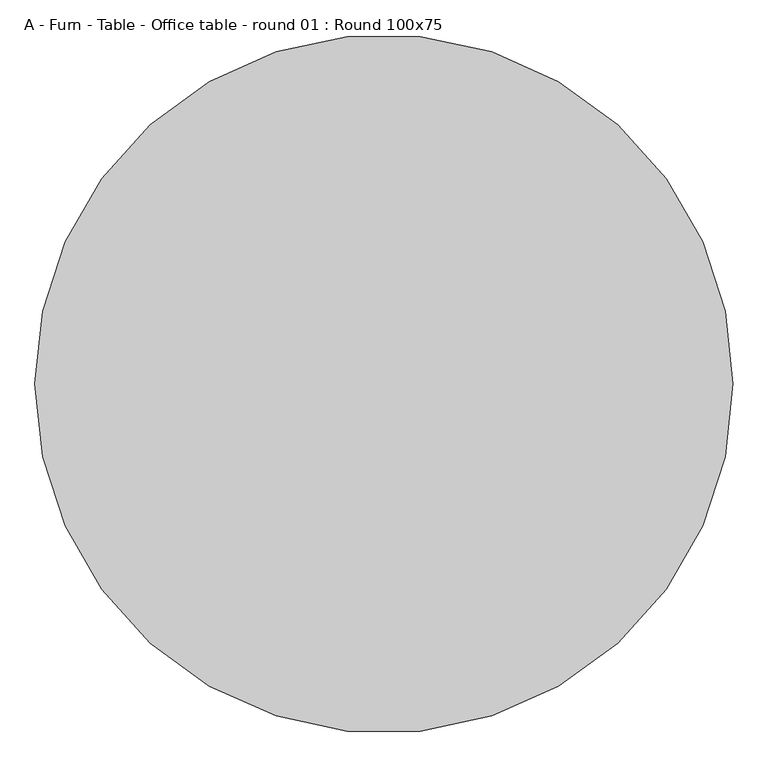
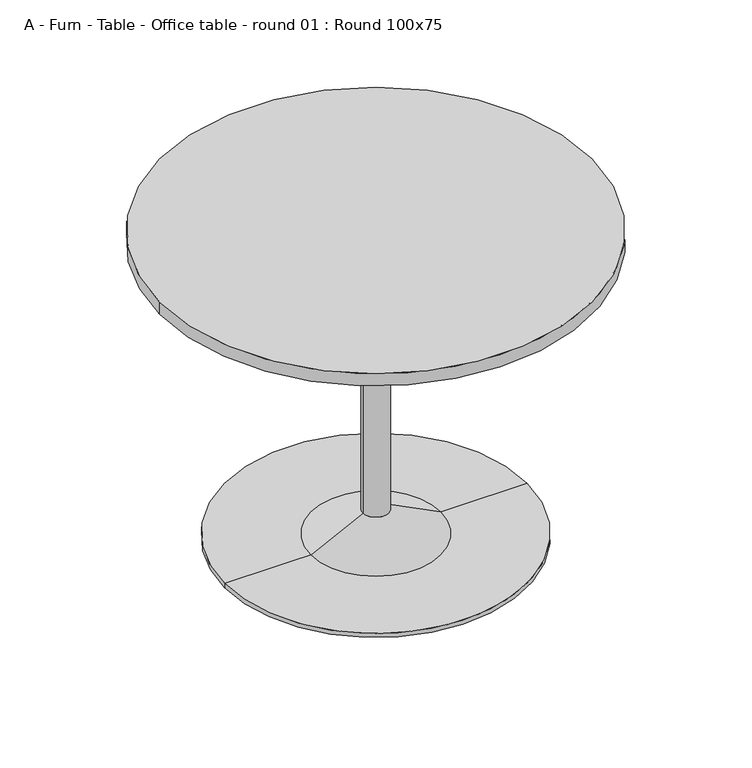
"""IFC4 building model written with IfcOpenShell, lengths in millimetres: furniture geometry, A - Furn - Table - Office table - round 01 : Round 100x75."""

from ifc_helpers import new_model, si_unit, point, frame, origin, origin_with_axes, origin_2d, place, context, project, spatial, polyline, circle_curve, trimmed, segment, composite_curve, outline, extrude, source, transform, mapped, element, save
from ifc_brep_helpers import plane_surface, cylinder_surface, revolved_surface, advanced_brep


def a_furn_table_office_table_round_01_round_100x75_6b6d9ae6(model_context):
    return source(origin(), model_context, "Body", "SolidModel", [
        advanced_brep(
        [(0.0, 0.0, 680.0), (30.0, 0.0, 680.0), (-30.0, 0.0, 680.0), (-150.0, 0.0, 10.0), (150.0, 0.0, 10.0), (0.0, 0.0, 10.0), (-30.0, 0.0, 70.0), (30.0, 0.0, 70.0)],
        [
            (0, 1),
            (1, 2, circle_curve(frame((0.0, 0.0, 680.0), z_axis=(0.0, 0.0, 1.0), x_axis=(1.0, 0.0, 0.0)), 30.0)),
            (2, 0),
            (2, 1, circle_curve(frame((0.0, 0.0, 680.0), z_axis=(0.0, 0.0, 1.0), x_axis=(1.0, 0.0, 0.0)), 30.0)),
            (3, 4, circle_curve(frame((0.0, 0.0, 10.0), z_axis=(0.0, 0.0, -1.0), x_axis=(1.0, 0.0, 0.0)), 150.0)),
            (4, 5),
            (5, 3),
            (4, 3, circle_curve(frame((0.0, 0.0, 10.0), z_axis=(0.0, 0.0, -1.0), x_axis=(1.0, 0.0, 0.0)), 150.0)),
            (6, 7, circle_curve(frame((0.0, 0.0, 70.0), z_axis=(0.0, 0.0, -1.0), x_axis=(1.0, 0.0, 0.0)), 30.0)),
            (7, 4),
            (3, 6),
            (7, 6, circle_curve(frame((0.0, 0.0, 70.0), z_axis=(0.0, 0.0, -1.0), x_axis=(1.0, 0.0, 0.0)), 30.0)),
            (1, 7),
            (6, 2),
        ],
        [
            plane_surface(frame((0.0, 0.0, 680.0), z_axis=(0.0, 0.0, 1.0), x_axis=(1.0, 0.0, 0.0))),
            plane_surface(frame((0.0, 0.0, 10.0), z_axis=(0.0, 0.0, -1.0), x_axis=(1.0, 0.0, 0.0))),
            revolved_surface(polyline([(150.0, 0.0, 10.0), (30.0, 0.0, 70.0)]), (0.0, 0.0, 892.0176105), (0.0, 0.0, 1.0)),
            cylinder_surface(frame((0.0, 0.0, 892.0176105), z_axis=(0.0, 0.0, 1.0), x_axis=(1.0, 0.0, 0.0)), 30.0),
        ],
        [
            (0, [[1, 2, 3]]),
            (0, [[-3, 4, -1]]),
            (1, [[5, 6, 7]]),
            (1, [[8, -7, -6]]),
            (2, [[9, 10, -5, 11]]),
            (2, [[12, -11, -8, -10]]),
            (3, [[-2, 13, -9, 14]]),
            (3, [[-4, -14, -12, -13]]),
        ],
    ),
        advanced_brep(
        [(-350.0, 0.0, 10.0), (350.0, 0.0, 10.0), (350.0, 0.0, 0.0), (-350.0, 0.0, 0.0), (0.0, 0.0, 10.0), (0.0, 0.0, 0.0)],
        [
            (0, 1, circle_curve(frame((0.0, 0.0, 10.0), z_axis=(0.0, 0.0, -1.0), x_axis=(1.0, 0.0, 0.0)), 350.0)),
            (1, 2),
            (2, 3, circle_curve(origin_with_axes(), 350.0)),
            (3, 0),
            (1, 0, circle_curve(frame((0.0, 0.0, 10.0), z_axis=(0.0, 0.0, -1.0), x_axis=(1.0, 0.0, 0.0)), 350.0)),
            (3, 2, circle_curve(origin_with_axes(), 350.0)),
            (4, 1),
            (0, 4),
            (2, 5),
            (5, 3),
        ],
        [
            cylinder_surface(frame((0.0, 0.0, 438.742223), z_axis=(0.0, 0.0, 1.0), x_axis=(1.0, 0.0, 0.0)), 350.0),
            plane_surface(frame((0.0, 0.0, 10.0), z_axis=(0.0, 0.0, 1.0), x_axis=(1.0, 0.0, 0.0))),
            plane_surface(frame((0.0, 0.0, 0.0), z_axis=(0.0, 0.0, -1.0), x_axis=(1.0, 0.0, 0.0))),
        ],
        [
            (0, [[1, 2, 3, 4]]),
            (0, [[5, -4, 6, -2]]),
            (1, [[7, -1, 8]]),
            (1, [[-8, -5, -7]]),
            (2, [[-3, 9, 10]]),
            (2, [[-6, -10, -9]]),
        ],
    ),
        advanced_brep(
        [(0.0, 0.0, 720.0), (150.0, 0.0, 720.0), (-150.0, 0.0, 720.0), (-110.0, 0.0, 680.0), (110.0, 0.0, 680.0), (0.0, 0.0, 680.0)],
        [
            (0, 1),
            (1, 2, circle_curve(frame((0.0, 0.0, 720.0), z_axis=(0.0, 0.0, 1.0), x_axis=(1.0, 0.0, 0.0)), 150.0)),
            (2, 0),
            (2, 1, circle_curve(frame((0.0, 0.0, 720.0), z_axis=(0.0, 0.0, 1.0), x_axis=(1.0, 0.0, 0.0)), 150.0)),
            (3, 4, circle_curve(frame((0.0, 0.0, 680.0), z_axis=(0.0, 0.0, -1.0), x_axis=(1.0, 0.0, 0.0)), 110.0)),
            (4, 5),
            (5, 3),
            (4, 3, circle_curve(frame((0.0, 0.0, 680.0), z_axis=(0.0, 0.0, -1.0), x_axis=(1.0, 0.0, 0.0)), 110.0)),
            (1, 4),
            (3, 2),
        ],
        [
            plane_surface(frame((0.0, 0.0, 720.0), z_axis=(0.0, 0.0, 1.0), x_axis=(1.0, 0.0, 0.0))),
            plane_surface(frame((0.0, 0.0, 680.0), z_axis=(0.0, 0.0, -1.0), x_axis=(1.0, 0.0, 0.0))),
            revolved_surface(polyline([(110.0, 0.0, 680.0), (150.0, 0.0, 720.0)]), (0.0, 0.0, 544.5410036), (0.0, 0.0, 1.0)),
        ],
        [
            (0, [[1, 2, 3]]),
            (0, [[-3, 4, -1]]),
            (1, [[5, 6, 7]]),
            (1, [[8, -7, -6]]),
            (2, [[-2, 9, -5, 10]]),
            (2, [[-4, -10, -8, -9]]),
        ],
    ),
        extrude(outline(composite_curve([segment(trimmed(circle_curve(origin_2d(), 500.0), [point((-500.0, 0.0))], [point((500.0, 0.0))], False, "CARTESIAN"), True, "CONTINUOUS"), segment(trimmed(circle_curve(origin_2d(), 500.0), [point((500.0, 0.0))], [point((-500.0, 0.0))], False, "CARTESIAN"), True, "CONTINUOUS")], self_intersect=False)), frame((0.0, 0.0, 720.0), z_axis=(0.0, 0.0, 1.0), x_axis=(1.0, 0.0, 0.0)), (0.0, 0.0, 1.0), 30.0),
    ])


if __name__ == "__main__":
    model = new_model("IFC4")
    model_context = context("Model", 3, world=origin())
    ifc_project = project(units=[si_unit("LENGTHUNIT", "METRE", prefix="MILLI")], contexts=[model_context])
    site = spatial("IfcSite", under=ifc_project)
    building = spatial("IfcBuilding", under=site)
    placement = place(None, origin())
    a_furn_table_office_table_round_01_round_100x75_shape = a_furn_table_office_table_round_01_round_100x75_6b6d9ae6(model_context)
    element("IfcFurniture", 1, ObjectType="A - Furn - Table - Office table - round 01 : Round 100x75", at=placement, inside=building, context=model_context, shape_type="MappedRepresentation", body=[
        mapped(a_furn_table_office_table_round_01_round_100x75_shape, transform((0.0, 0.0, 0.0), x_axis=(1.0, 0.0, 0.0), y_axis=(0.0, 1.0, 0.0), z_axis=(0.0, 0.0, 1.0))),
    ])
    save(model, "model.ifc")
